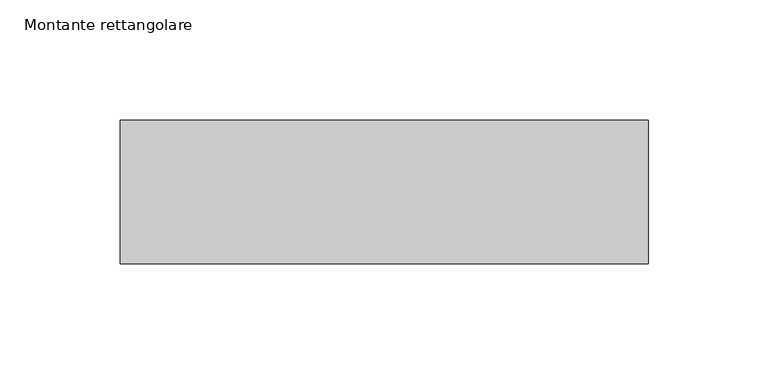
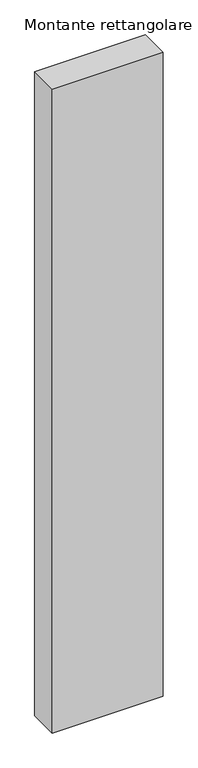
"""IFC4 building model written with IfcOpenShell, lengths in millimetres: member geometry, Montante rettangolare."""

import ifcopenshell
import ifcopenshell.guid

model = None  # the IFC model being written
_history = None  # IfcOwnerHistory: only IFC2X3 demands one
_inside = {}  # id of a spatial element -> (the spatial element, [elements in it])
_under = {}  # id of a project, library or spatial element -> (it, [spatial elements below it])
_declared = {}  # id of a project -> (the project, [libraries it declares])
_typed = {}  # id of a type object -> (the type object, [elements of that type])
_made_of = {}  # id of a material, layer set ... -> (it, [elements and type objects made of it])


def new_model(schema):
    """Start an empty IFC model of exactly this schema.

    Asked for "IFC4X3", IfcOpenShell would pick the latest addendum, in which some entities
    have other attributes; the version numbers below select the first issue.
    IFC2X3 requires an IfcOwnerHistory on every rooted entity: one is made here for all.
    """
    global model, _history
    if schema == "IFC4X3":
        model = ifcopenshell.file(schema_version=(4, 3, 0, 0))
    else:
        model = ifcopenshell.file(schema=schema)
    _inside.clear()
    _under.clear()
    _declared.clear()
    _typed.clear()
    _made_of.clear()
    _history = None
    if model.schema == "IFC2X3":
        org = make("IfcOrganization", Name="unknown")
        user = make(
            "IfcPersonAndOrganization",
            ThePerson=make("IfcPerson", FamilyName="unknown"),
            TheOrganization=org,
        )
        app = make(
            "IfcApplication",
            ApplicationDeveloper=org,
            Version="unknown",
            ApplicationFullName="unknown",
            ApplicationIdentifier="unknown",
        )
        _history = make(
            "IfcOwnerHistory",
            OwningUser=user,
            OwningApplication=app,
            ChangeAction="ADDED",
            CreationDate=0,
        )
    return model


def make(cls, **values):
    """One entity of the class cls with the attributes given. An attribute that is None is left unset."""
    return model.create_entity(
        cls, **{name: value for name, value in values.items() if value is not None}
    )


def rooted(cls, **values):
    """An entity with a GlobalId (a new one), such as an element, a storey or a relation."""
    return make(cls, GlobalId=ifcopenshell.guid.new(), OwnerHistory=_history, **values)


def si_unit(unit_type, name, prefix=None):
    """IfcSIUnit, for example si_unit("LENGTHUNIT", "METRE", prefix="MILLI")."""
    return make("IfcSIUnit", UnitType=unit_type, Prefix=prefix, Name=name)


def assignment(units):
    """IfcUnitAssignment: the units of a project."""
    return None if units is None else make("IfcUnitAssignment", Units=units)


def point(xyz):
    """IfcCartesianPoint."""
    return None if xyz is None else make("IfcCartesianPoint", Coordinates=xyz)


def direction(xyz):
    """IfcDirection."""
    return None if xyz is None else make("IfcDirection", DirectionRatios=xyz)


def frame(location, z_axis=None, x_axis=None):
    """IfcAxis2Placement3D, a coordinate frame: its origin and axes. An axis left out is left unset."""
    return make(
        "IfcAxis2Placement3D",
        Location=point(location),
        Axis=direction(z_axis),
        RefDirection=direction(x_axis),
    )


def origin():
    """The frame at (0, 0, 0) with its axes left unset."""
    return frame((0.0, 0.0, 0.0))


def place(relative_to, where):
    """IfcLocalPlacement: puts the frame where relative to a parent placement (None: the world)."""
    return make(
        "IfcLocalPlacement", PlacementRelTo=relative_to, RelativePlacement=where
    )


def context(
    kind, dimensions, precision=None, world=None, true_north=None, identifier=None
):
    """IfcGeometricRepresentationContext, for example the 3D "Model" context."""
    return make(
        "IfcGeometricRepresentationContext",
        ContextIdentifier=identifier,
        ContextType=kind,
        CoordinateSpaceDimension=dimensions,
        Precision=precision,
        WorldCoordinateSystem=world,
        TrueNorth=true_north,
    )


def project(units=None, contexts=None):
    """IfcProject with its units and contexts."""
    return rooted(
        "IfcProject",
        Name="project",
        RepresentationContexts=contexts,
        UnitsInContext=assignment(units),
    )


def spatial(cls, under=None, at=None, **own):
    """A site, building, storey or space (cls), placed at a placement, below another one or the project."""
    s = rooted(cls, ObjectPlacement=at, **own)
    if under is not None:
        _under.setdefault(under.id(), (under, []))[1].append(s)
    return s


def polyline(points):
    """IfcPolyline through the points."""
    return make("IfcPolyline", Points=[point(p) for p in points])


def outline(outer, holes=None, kind="AREA"):
    """IfcArbitraryClosedProfileDef: a profile drawn as a closed curve; with holes, ...WithVoids."""
    if holes is None:
        return make("IfcArbitraryClosedProfileDef", ProfileType=kind, OuterCurve=outer)
    return make(
        "IfcArbitraryProfileDefWithVoids",
        ProfileType=kind,
        OuterCurve=outer,
        InnerCurves=holes,
    )


def extrude(swept, where, along, depth):
    """IfcExtrudedAreaSolid: the profile swept, set in the frame where, extruded along a direction by depth."""
    return make(
        "IfcExtrudedAreaSolid",
        SweptArea=swept,
        Position=where,
        ExtrudedDirection=direction(along),
        Depth=depth,
    )


def shape(context_of_items, identifier, shape_type, items):
    """IfcShapeRepresentation: the items that make up one representation, for example the "Body"."""
    return make(
        "IfcShapeRepresentation",
        ContextOfItems=context_of_items,
        RepresentationIdentifier=identifier,
        RepresentationType=shape_type,
        Items=items,
    )


def source(mapping_origin, context_of_items, identifier, shape_type, items):
    """IfcRepresentationMap: a shape defined once, which mapped items show again and again."""
    return make(
        "IfcRepresentationMap",
        MappingOrigin=mapping_origin,
        MappedRepresentation=shape(context_of_items, identifier, shape_type, items),
    )


def transform(
    local_origin,
    x_axis=None,
    y_axis=None,
    z_axis=None,
    scale=None,
    scale2=None,
    scale3=None,
    uniform=True,
):
    """IfcCartesianTransformationOperator3D, or its non-uniform kind. x_axis, y_axis, z_axis: its Axis1, 2, 3."""
    if uniform:
        return make(
            "IfcCartesianTransformationOperator3D",
            Axis1=direction(x_axis),
            Axis2=direction(y_axis),
            LocalOrigin=point(local_origin),
            Scale=scale,
            Axis3=direction(z_axis),
        )
    return make(
        "IfcCartesianTransformationOperator3DnonUniform",
        Axis1=direction(x_axis),
        Axis2=direction(y_axis),
        LocalOrigin=point(local_origin),
        Scale=scale,
        Axis3=direction(z_axis),
        Scale2=scale2,
        Scale3=scale3,
    )


def mapped(mapping_source, mapping_target):
    """IfcMappedItem: shows the shape of a source again, moved by a transform."""
    return make(
        "IfcMappedItem", MappingSource=mapping_source, MappingTarget=mapping_target
    )


def made_of(thing, what):
    """Note that an element or type object is made of a material, layer set ...; save() writes the relation."""
    if what is not None:
        _made_of.setdefault(what.id(), (what, []))[1].append(thing)
    return thing


def element(
    cls,
    number,
    at=None,
    inside=None,
    cuts=None,
    type_object=None,
    material=None,
    context=None,
    identifier="Body",
    shape_type=None,
    held_by="IfcProductDefinitionShape",
    body=None,
    shapes=None,
    **own,
):
    """One element of the class cls, such as IfcWall. Its Tag is "e" and its number.

    at: its placement. inside: the storey or other place that contains it. cuts: it is an
    opening in that element (IfcRelVoidsElement). A single representation is given by context,
    identifier, shape_type and body (its items); several are given by shapes. held_by: the class
    of the entity that holds the representations. save() writes the other relations.
    """
    e = rooted(cls, Tag="e%d" % number, ObjectPlacement=at, **own)
    if body is not None:
        shapes = [shape(context, identifier, shape_type, body)]
    if shapes is not None:
        e.Representation = make(held_by, Representations=shapes)
    if inside is not None:
        _inside.setdefault(inside.id(), (inside, []))[1].append(e)
    if cuts is not None:
        rooted(
            "IfcRelVoidsElement", RelatingBuildingElement=cuts, RelatedOpeningElement=e
        )
    if type_object is not None:
        _typed.setdefault(type_object.id(), (type_object, []))[1].append(e)
    return made_of(e, material)


def aggregate(whole, parts):
    """IfcRelAggregates: a whole, such as a stair, and the parts it consists of."""
    return rooted("IfcRelAggregates", RelatingObject=whole, RelatedObjects=parts)


def save(model, path):
    """Write the relations noted so far, then the file.

    IfcRelAggregates (storeys below a building ...), IfcRelContainedInSpatialStructure (elements
    in a storey), IfcRelDefinesByType, IfcRelAssociatesMaterial and IfcRelDeclares: one each for
    every whole, place, type object, material and project.
    """
    for whole, parts in _under.values():
        aggregate(whole, parts)
    for where, things in _inside.values():
        rooted(
            "IfcRelContainedInSpatialStructure",
            RelatedElements=things,
            RelatingStructure=where,
        )
    for kind, things in _typed.values():
        rooted("IfcRelDefinesByType", RelatedObjects=things, RelatingType=kind)
    for what, things in _made_of.values():
        rooted("IfcRelAssociatesMaterial", RelatedObjects=things, RelatingMaterial=what)
    for by, libraries in _declared.values():
        rooted("IfcRelDeclares", RelatingContext=by, RelatedDefinitions=libraries)
    model.write(path)


def montante_rettangolare_3ff62336(model_context):
    return source(origin(), model_context, "Body", "SweptSolid", [
        extrude(outline(polyline([(0.0, 30.0), (0.0, -30.0), (-220.0, -30.0), (-220.0, 30.0), (0.0, 30.0)])), frame((0.0, 0.0, -1350.0), z_axis=(0.0, 0.0, 1.0), x_axis=(1.0, 0.0, 0.0)), (0.0, 0.0, 1.0), 1350.0),
    ])


if __name__ == "__main__":
    model = new_model("IFC4")
    model_context = context("Model", 3, world=origin())
    ifc_project = project(units=[si_unit("LENGTHUNIT", "METRE", prefix="MILLI")], contexts=[model_context])
    site = spatial("IfcSite", under=ifc_project)
    building = spatial("IfcBuilding", under=site)
    placement = place(None, origin())
    montante_rettangolare_shape = montante_rettangolare_3ff62336(model_context)
    element("IfcMember", 1, ObjectType="Montante rettangolare", at=placement, inside=building, context=model_context, shape_type="MappedRepresentation", body=[
        mapped(montante_rettangolare_shape, transform((0.0, 0.0, 0.0), x_axis=(1.0, 0.0, 0.0), y_axis=(0.0, 1.0, 0.0), z_axis=(0.0, 0.0, 1.0))),
    ])
    save(model, "model.ifc")
